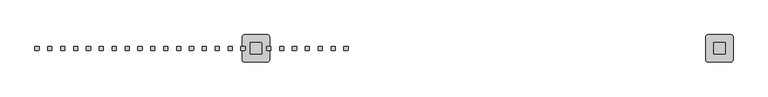
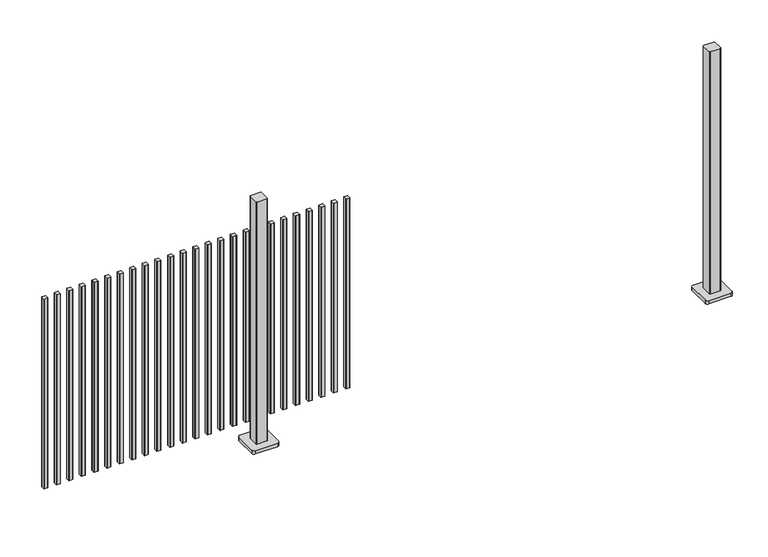
"""IFC4 building model written with IfcOpenShell, lengths in millimetres: railing geometry."""

from ifc_helpers import new_model, si_unit, point, frame, frame_2d, origin, origin_with_axes, place, context, project, spatial, polyline, circle_curve, trimmed, segment, composite_curve, outline, extrude, source, transform, mapped, element, save


def railing_bdd10bd8(model_context):
    return source(origin(), model_context, "Body", "SweptSolid", [
        extrude(outline(composite_curve([segment(trimmed(circle_curve(frame_2d((5095.8317281, 10303.4508236)), 1.4), [point((5094.4317281, 10303.4508236))], [point((5095.8317281, 10304.8508236))], False, "CARTESIAN"), True, "CONTINUOUS"), segment(polyline([(5095.8317281, 10304.8508236), (5111.0317311, 10304.8508236)]), True, "CONTINUOUS"), segment(trimmed(circle_curve(frame_2d((5111.0317311, 10303.4508236)), 1.4), [point((5111.0317311, 10304.8508236))], [point((5112.4317311, 10303.4508236))], False, "CARTESIAN"), True, "CONTINUOUS"), segment(polyline([(5112.4317311, 10303.4508236), (5112.4317311, 10288.2507846)]), True, "CONTINUOUS"), segment(trimmed(circle_curve(frame_2d((5111.0317311, 10288.2507846)), 1.4), [point((5112.4317311, 10288.2507846))], [point((5111.0317311, 10286.8507846))], False, "CARTESIAN"), True, "CONTINUOUS"), segment(polyline([(5111.0317311, 10286.8507846), (5095.8317281, 10286.8507846)]), True, "CONTINUOUS"), segment(trimmed(circle_curve(frame_2d((5095.8317281, 10288.2507846)), 1.4), [point((5095.8317281, 10286.8507846))], [point((5094.4317281, 10288.2507846))], False, "CARTESIAN"), True, "CONTINUOUS"), segment(polyline([(5094.4317281, 10288.2507846), (5094.4317281, 10303.4508236)]), True, "CONTINUOUS")], self_intersect=False)), frame((0.0, 0.0, 125.0), z_axis=(0.0, 0.0, 1.0), x_axis=(1.0, 0.0, 0.0)), (0.0, 0.0, 1.0), 900.0),
        extrude(outline(composite_curve([segment(trimmed(circle_curve(frame_2d((5039.3502466, 10303.4508236)), 1.4), [point((5037.9502466, 10303.4508236))], [point((5039.3502466, 10304.8508236))], False, "CARTESIAN"), True, "CONTINUOUS"), segment(polyline([(5039.3502466, 10304.8508236), (5054.5502496, 10304.8508236)]), True, "CONTINUOUS"), segment(trimmed(circle_curve(frame_2d((5054.5502496, 10303.4508236)), 1.4), [point((5054.5502496, 10304.8508236))], [point((5055.9502496, 10303.4508236))], False, "CARTESIAN"), True, "CONTINUOUS"), segment(polyline([(5055.9502496, 10303.4508236), (5055.9502496, 10288.2507846)]), True, "CONTINUOUS"), segment(trimmed(circle_curve(frame_2d((5054.5502496, 10288.2507846)), 1.4), [point((5055.9502496, 10288.2507846))], [point((5054.5502496, 10286.8507846))], False, "CARTESIAN"), True, "CONTINUOUS"), segment(polyline([(5054.5502496, 10286.8507846), (5039.3502466, 10286.8507846)]), True, "CONTINUOUS"), segment(trimmed(circle_curve(frame_2d((5039.3502466, 10288.2507846)), 1.4), [point((5039.3502466, 10286.8507846))], [point((5037.9502466, 10288.2507846))], False, "CARTESIAN"), True, "CONTINUOUS"), segment(polyline([(5037.9502466, 10288.2507846), (5037.9502466, 10303.4508236)]), True, "CONTINUOUS")], self_intersect=False)), frame((0.0, 0.0, 125.0), z_axis=(0.0, 0.0, 1.0), x_axis=(1.0, 0.0, 0.0)), (0.0, 0.0, 1.0), 900.0),
        extrude(outline(composite_curve([segment(trimmed(circle_curve(frame_2d((4982.8687651, 10303.4508236)), 1.4), [point((4981.4687651, 10303.4508236))], [point((4982.8687651, 10304.8508236))], False, "CARTESIAN"), True, "CONTINUOUS"), segment(polyline([(4982.8687651, 10304.8508236), (4998.0687681, 10304.8508236)]), True, "CONTINUOUS"), segment(trimmed(circle_curve(frame_2d((4998.0687681, 10303.4508236)), 1.4), [point((4998.0687681, 10304.8508236))], [point((4999.4687681, 10303.4508236))], False, "CARTESIAN"), True, "CONTINUOUS"), segment(polyline([(4999.4687681, 10303.4508236), (4999.4687681, 10288.2507846)]), True, "CONTINUOUS"), segment(trimmed(circle_curve(frame_2d((4998.0687681, 10288.2507846)), 1.4), [point((4999.4687681, 10288.2507846))], [point((4998.0687681, 10286.8507846))], False, "CARTESIAN"), True, "CONTINUOUS"), segment(polyline([(4998.0687681, 10286.8507846), (4982.8687651, 10286.8507846)]), True, "CONTINUOUS"), segment(trimmed(circle_curve(frame_2d((4982.8687651, 10288.2507846)), 1.4), [point((4982.8687651, 10286.8507846))], [point((4981.4687651, 10288.2507846))], False, "CARTESIAN"), True, "CONTINUOUS"), segment(polyline([(4981.4687651, 10288.2507846), (4981.4687651, 10303.4508236)]), True, "CONTINUOUS")], self_intersect=False)), frame((0.0, 0.0, 125.0), z_axis=(0.0, 0.0, 1.0), x_axis=(1.0, 0.0, 0.0)), (0.0, 0.0, 1.0), 900.0),
        extrude(outline(composite_curve([segment(trimmed(circle_curve(frame_2d((4926.3872836, 10303.4508236)), 1.4), [point((4924.9872836, 10303.4508236))], [point((4926.3872836, 10304.8508236))], False, "CARTESIAN"), True, "CONTINUOUS"), segment(polyline([(4926.3872836, 10304.8508236), (4941.5872866, 10304.8508236)]), True, "CONTINUOUS"), segment(trimmed(circle_curve(frame_2d((4941.5872866, 10303.4508236)), 1.4), [point((4941.5872866, 10304.8508236))], [point((4942.9872866, 10303.4508236))], False, "CARTESIAN"), True, "CONTINUOUS"), segment(polyline([(4942.9872866, 10303.4508236), (4942.9872866, 10288.2507846)]), True, "CONTINUOUS"), segment(trimmed(circle_curve(frame_2d((4941.5872866, 10288.2507846)), 1.4), [point((4942.9872866, 10288.2507846))], [point((4941.5872866, 10286.8507846))], False, "CARTESIAN"), True, "CONTINUOUS"), segment(polyline([(4941.5872866, 10286.8507846), (4926.3872836, 10286.8507846)]), True, "CONTINUOUS"), segment(trimmed(circle_curve(frame_2d((4926.3872836, 10288.2507846)), 1.4), [point((4926.3872836, 10286.8507846))], [point((4924.9872836, 10288.2507846))], False, "CARTESIAN"), True, "CONTINUOUS"), segment(polyline([(4924.9872836, 10288.2507846), (4924.9872836, 10303.4508236)]), True, "CONTINUOUS")], self_intersect=False)), frame((0.0, 0.0, 125.0), z_axis=(0.0, 0.0, 1.0), x_axis=(1.0, 0.0, 0.0)), (0.0, 0.0, 1.0), 900.0),
        extrude(outline(composite_curve([segment(trimmed(circle_curve(frame_2d((4869.9058021, 10303.4508236)), 1.4), [point((4868.5058021, 10303.4508236))], [point((4869.9058021, 10304.8508236))], False, "CARTESIAN"), True, "CONTINUOUS"), segment(polyline([(4869.9058021, 10304.8508236), (4885.1058051, 10304.8508236)]), True, "CONTINUOUS"), segment(trimmed(circle_curve(frame_2d((4885.1058051, 10303.4508236)), 1.4), [point((4885.1058051, 10304.8508236))], [point((4886.5058051, 10303.4508236))], False, "CARTESIAN"), True, "CONTINUOUS"), segment(polyline([(4886.5058051, 10303.4508236), (4886.5058051, 10288.2507846)]), True, "CONTINUOUS"), segment(trimmed(circle_curve(frame_2d((4885.1058051, 10288.2507846)), 1.4), [point((4886.5058051, 10288.2507846))], [point((4885.1058051, 10286.8507846))], False, "CARTESIAN"), True, "CONTINUOUS"), segment(polyline([(4885.1058051, 10286.8507846), (4869.9058021, 10286.8507846)]), True, "CONTINUOUS"), segment(trimmed(circle_curve(frame_2d((4869.9058021, 10288.2507846)), 1.4), [point((4869.9058021, 10286.8507846))], [point((4868.5058021, 10288.2507846))], False, "CARTESIAN"), True, "CONTINUOUS"), segment(polyline([(4868.5058021, 10288.2507846), (4868.5058021, 10303.4508236)]), True, "CONTINUOUS")], self_intersect=False)), frame((0.0, 0.0, 125.0), z_axis=(0.0, 0.0, 1.0), x_axis=(1.0, 0.0, 0.0)), (0.0, 0.0, 1.0), 900.0),
        extrude(outline(composite_curve([segment(trimmed(circle_curve(frame_2d((4813.4243207, 10303.4508236)), 1.4), [point((4812.0243207, 10303.4508236))], [point((4813.4243207, 10304.8508236))], False, "CARTESIAN"), True, "CONTINUOUS"), segment(polyline([(4813.4243207, 10304.8508236), (4828.6243237, 10304.8508236)]), True, "CONTINUOUS"), segment(trimmed(circle_curve(frame_2d((4828.6243237, 10303.4508236)), 1.4), [point((4828.6243237, 10304.8508236))], [point((4830.0243237, 10303.4508236))], False, "CARTESIAN"), True, "CONTINUOUS"), segment(polyline([(4830.0243237, 10303.4508236), (4830.0243237, 10288.2507846)]), True, "CONTINUOUS"), segment(trimmed(circle_curve(frame_2d((4828.6243237, 10288.2507846)), 1.4), [point((4830.0243237, 10288.2507846))], [point((4828.6243237, 10286.8507846))], False, "CARTESIAN"), True, "CONTINUOUS"), segment(polyline([(4828.6243237, 10286.8507846), (4813.4243207, 10286.8507846)]), True, "CONTINUOUS"), segment(trimmed(circle_curve(frame_2d((4813.4243207, 10288.2507846)), 1.4), [point((4813.4243207, 10286.8507846))], [point((4812.0243207, 10288.2507846))], False, "CARTESIAN"), True, "CONTINUOUS"), segment(polyline([(4812.0243207, 10288.2507846), (4812.0243207, 10303.4508236)]), True, "CONTINUOUS")], self_intersect=False)), frame((0.0, 0.0, 125.0), z_axis=(0.0, 0.0, 1.0), x_axis=(1.0, 0.0, 0.0)), (0.0, 0.0, 1.0), 900.0),
        extrude(outline(composite_curve([segment(trimmed(circle_curve(frame_2d((4756.9428392, 10303.4508236)), 1.4), [point((4755.5428392, 10303.4508236))], [point((4756.9428392, 10304.8508236))], False, "CARTESIAN"), True, "CONTINUOUS"), segment(polyline([(4756.9428392, 10304.8508236), (4772.1428422, 10304.8508236)]), True, "CONTINUOUS"), segment(trimmed(circle_curve(frame_2d((4772.1428422, 10303.4508236)), 1.4), [point((4772.1428422, 10304.8508236))], [point((4773.5428422, 10303.4508236))], False, "CARTESIAN"), True, "CONTINUOUS"), segment(polyline([(4773.5428422, 10303.4508236), (4773.5428422, 10288.2507846)]), True, "CONTINUOUS"), segment(trimmed(circle_curve(frame_2d((4772.1428422, 10288.2507846)), 1.4), [point((4773.5428422, 10288.2507846))], [point((4772.1428422, 10286.8507846))], False, "CARTESIAN"), True, "CONTINUOUS"), segment(polyline([(4772.1428422, 10286.8507846), (4756.9428392, 10286.8507846)]), True, "CONTINUOUS"), segment(trimmed(circle_curve(frame_2d((4756.9428392, 10288.2507846)), 1.4), [point((4756.9428392, 10286.8507846))], [point((4755.5428392, 10288.2507846))], False, "CARTESIAN"), True, "CONTINUOUS"), segment(polyline([(4755.5428392, 10288.2507846), (4755.5428392, 10303.4508236)]), True, "CONTINUOUS")], self_intersect=False)), frame((0.0, 0.0, 125.0), z_axis=(0.0, 0.0, 1.0), x_axis=(1.0, 0.0, 0.0)), (0.0, 0.0, 1.0), 900.0),
        extrude(outline(composite_curve([segment(trimmed(circle_curve(frame_2d((4685.6613477, 10318.2508266)), 3.0), [point((4682.6613477, 10318.2508266))], [point((4685.6613477, 10321.2508266))], False, "CARTESIAN"), True, "CONTINUOUS"), segment(polyline([(4685.6613477, 10321.2508266), (4730.4613707, 10321.2508266)]), True, "CONTINUOUS"), segment(trimmed(circle_curve(frame_2d((4730.4613707, 10318.2508266)), 3.0), [point((4730.4613707, 10321.2508266))], [point((4733.4613707, 10318.2508266))], False, "CARTESIAN"), True, "CONTINUOUS"), segment(polyline([(4733.4613707, 10318.2508266), (4733.4613707, 10273.4508036)]), True, "CONTINUOUS"), segment(trimmed(circle_curve(frame_2d((4730.4613707, 10273.4508036)), 3.0), [point((4733.4613707, 10273.4508036))], [point((4730.4613707, 10270.4508036))], False, "CARTESIAN"), True, "CONTINUOUS"), segment(polyline([(4730.4613707, 10270.4508036), (4685.6613477, 10270.4508036)]), True, "CONTINUOUS"), segment(trimmed(circle_curve(frame_2d((4685.6613477, 10273.4508036)), 3.0), [point((4685.6613477, 10270.4508036))], [point((4682.6613477, 10273.4508036))], False, "CARTESIAN"), True, "CONTINUOUS"), segment(polyline([(4682.6613477, 10273.4508036), (4682.6613477, 10318.2508266)]), True, "CONTINUOUS")], self_intersect=False)), frame((0.0, 0.0, 16.0), z_axis=(0.0, 0.0, 1.0), x_axis=(1.0, 0.0, 0.0)), (0.0, 0.0, 1.0), 1148.2785397),
        extrude(outline(composite_curve([segment(trimmed(circle_curve(frame_2d((4658.0613477, 10345.8508151)), 10.0), [point((4648.0613477, 10345.8508151))], [point((4658.0613477, 10355.8508151))], False, "CARTESIAN"), True, "CONTINUOUS"), segment(polyline([(4658.0613477, 10355.8508151), (4758.0613477, 10355.8508151)]), True, "CONTINUOUS"), segment(trimmed(circle_curve(frame_2d((4758.0613477, 10345.8508151)), 10.0), [point((4758.0613477, 10355.8508151))], [point((4768.0613477, 10345.8508151))], False, "CARTESIAN"), True, "CONTINUOUS"), segment(polyline([(4768.0613477, 10345.8508151), (4768.0613477, 10245.8508151)]), True, "CONTINUOUS"), segment(trimmed(circle_curve(frame_2d((4758.0613477, 10245.8508151)), 10.0), [point((4768.0613477, 10245.8508151))], [point((4758.0613477, 10235.8508151))], False, "CARTESIAN"), True, "CONTINUOUS"), segment(polyline([(4758.0613477, 10235.8508151), (4658.0613477, 10235.8508151)]), True, "CONTINUOUS"), segment(trimmed(circle_curve(frame_2d((4658.0613477, 10245.8508151)), 10.0), [point((4658.0613477, 10235.8508151))], [point((4648.0613477, 10245.8508151))], False, "CARTESIAN"), True, "CONTINUOUS"), segment(polyline([(4648.0613477, 10245.8508151), (4648.0613477, 10345.8508151)]), True, "CONTINUOUS")], self_intersect=False)), origin_with_axes(), (0.0, 0.0, 1.0), 16.0),
        extrude(outline(composite_curve([segment(trimmed(circle_curve(frame_2d((4643.9798762, 10303.4508236)), 1.4), [point((4642.5798762, 10303.4508236))], [point((4643.9798762, 10304.8508236))], False, "CARTESIAN"), True, "CONTINUOUS"), segment(polyline([(4643.9798762, 10304.8508236), (4659.1798792, 10304.8508236)]), True, "CONTINUOUS"), segment(trimmed(circle_curve(frame_2d((4659.1798792, 10303.4508236)), 1.4), [point((4659.1798792, 10304.8508236))], [point((4660.5798792, 10303.4508236))], False, "CARTESIAN"), True, "CONTINUOUS"), segment(polyline([(4660.5798792, 10303.4508236), (4660.5798792, 10288.2507846)]), True, "CONTINUOUS"), segment(trimmed(circle_curve(frame_2d((4659.1798792, 10288.2507846)), 1.4), [point((4660.5798792, 10288.2507846))], [point((4659.1798792, 10286.8507846))], False, "CARTESIAN"), True, "CONTINUOUS"), segment(polyline([(4659.1798792, 10286.8507846), (4643.9798762, 10286.8507846)]), True, "CONTINUOUS"), segment(trimmed(circle_curve(frame_2d((4643.9798762, 10288.2507846)), 1.4), [point((4643.9798762, 10286.8507846))], [point((4642.5798762, 10288.2507846))], False, "CARTESIAN"), True, "CONTINUOUS"), segment(polyline([(4642.5798762, 10288.2507846), (4642.5798762, 10303.4508236)]), True, "CONTINUOUS")], self_intersect=False)), frame((0.0, 0.0, 125.0), z_axis=(0.0, 0.0, 1.0), x_axis=(1.0, 0.0, 0.0)), (0.0, 0.0, 1.0), 900.0),
        extrude(outline(composite_curve([segment(trimmed(circle_curve(frame_2d((4587.4983947, 10303.4508236)), 1.4), [point((4586.0983947, 10303.4508236))], [point((4587.4983947, 10304.8508236))], False, "CARTESIAN"), True, "CONTINUOUS"), segment(polyline([(4587.4983947, 10304.8508236), (4602.6983977, 10304.8508236)]), True, "CONTINUOUS"), segment(trimmed(circle_curve(frame_2d((4602.6983977, 10303.4508236)), 1.4), [point((4602.6983977, 10304.8508236))], [point((4604.0983977, 10303.4508236))], False, "CARTESIAN"), True, "CONTINUOUS"), segment(polyline([(4604.0983977, 10303.4508236), (4604.0983977, 10288.2507846)]), True, "CONTINUOUS"), segment(trimmed(circle_curve(frame_2d((4602.6983977, 10288.2507846)), 1.4), [point((4604.0983977, 10288.2507846))], [point((4602.6983977, 10286.8507846))], False, "CARTESIAN"), True, "CONTINUOUS"), segment(polyline([(4602.6983977, 10286.8507846), (4587.4983947, 10286.8507846)]), True, "CONTINUOUS"), segment(trimmed(circle_curve(frame_2d((4587.4983947, 10288.2507846)), 1.4), [point((4587.4983947, 10286.8507846))], [point((4586.0983947, 10288.2507846))], False, "CARTESIAN"), True, "CONTINUOUS"), segment(polyline([(4586.0983947, 10288.2507846), (4586.0983947, 10303.4508236)]), True, "CONTINUOUS")], self_intersect=False)), frame((0.0, 0.0, 125.0), z_axis=(0.0, 0.0, 1.0), x_axis=(1.0, 0.0, 0.0)), (0.0, 0.0, 1.0), 900.0),
        extrude(outline(composite_curve([segment(trimmed(circle_curve(frame_2d((4531.0169133, 10303.4508236)), 1.4), [point((4529.6169133, 10303.4508236))], [point((4531.0169133, 10304.8508236))], False, "CARTESIAN"), True, "CONTINUOUS"), segment(polyline([(4531.0169133, 10304.8508236), (4546.2169163, 10304.8508236)]), True, "CONTINUOUS"), segment(trimmed(circle_curve(frame_2d((4546.2169163, 10303.4508236)), 1.4), [point((4546.2169163, 10304.8508236))], [point((4547.6169163, 10303.4508236))], False, "CARTESIAN"), True, "CONTINUOUS"), segment(polyline([(4547.6169163, 10303.4508236), (4547.6169163, 10288.2507846)]), True, "CONTINUOUS"), segment(trimmed(circle_curve(frame_2d((4546.2169163, 10288.2507846)), 1.4), [point((4547.6169163, 10288.2507846))], [point((4546.2169163, 10286.8507846))], False, "CARTESIAN"), True, "CONTINUOUS"), segment(polyline([(4546.2169163, 10286.8507846), (4531.0169133, 10286.8507846)]), True, "CONTINUOUS"), segment(trimmed(circle_curve(frame_2d((4531.0169133, 10288.2507846)), 1.4), [point((4531.0169133, 10286.8507846))], [point((4529.6169133, 10288.2507846))], False, "CARTESIAN"), True, "CONTINUOUS"), segment(polyline([(4529.6169133, 10288.2507846), (4529.6169133, 10303.4508236)]), True, "CONTINUOUS")], self_intersect=False)), frame((0.0, 0.0, 125.0), z_axis=(0.0, 0.0, 1.0), x_axis=(1.0, 0.0, 0.0)), (0.0, 0.0, 1.0), 900.0),
        extrude(outline(composite_curve([segment(trimmed(circle_curve(frame_2d((4474.5354318, 10303.4508236)), 1.4), [point((4473.1354318, 10303.4508236))], [point((4474.5354318, 10304.8508236))], False, "CARTESIAN"), True, "CONTINUOUS"), segment(polyline([(4474.5354318, 10304.8508236), (4489.7354348, 10304.8508236)]), True, "CONTINUOUS"), segment(trimmed(circle_curve(frame_2d((4489.7354348, 10303.4508236)), 1.4), [point((4489.7354348, 10304.8508236))], [point((4491.1354348, 10303.4508236))], False, "CARTESIAN"), True, "CONTINUOUS"), segment(polyline([(4491.1354348, 10303.4508236), (4491.1354348, 10288.2507846)]), True, "CONTINUOUS"), segment(trimmed(circle_curve(frame_2d((4489.7354348, 10288.2507846)), 1.4), [point((4491.1354348, 10288.2507846))], [point((4489.7354348, 10286.8507846))], False, "CARTESIAN"), True, "CONTINUOUS"), segment(polyline([(4489.7354348, 10286.8507846), (4474.5354318, 10286.8507846)]), True, "CONTINUOUS"), segment(trimmed(circle_curve(frame_2d((4474.5354318, 10288.2507846)), 1.4), [point((4474.5354318, 10286.8507846))], [point((4473.1354318, 10288.2507846))], False, "CARTESIAN"), True, "CONTINUOUS"), segment(polyline([(4473.1354318, 10288.2507846), (4473.1354318, 10303.4508236)]), True, "CONTINUOUS")], self_intersect=False)), frame((0.0, 0.0, 125.0), z_axis=(0.0, 0.0, 1.0), x_axis=(1.0, 0.0, 0.0)), (0.0, 0.0, 1.0), 900.0),
        extrude(outline(composite_curve([segment(trimmed(circle_curve(frame_2d((4418.0539503, 10303.4508236)), 1.4), [point((4416.6539503, 10303.4508236))], [point((4418.0539503, 10304.8508236))], False, "CARTESIAN"), True, "CONTINUOUS"), segment(polyline([(4418.0539503, 10304.8508236), (4433.2539533, 10304.8508236)]), True, "CONTINUOUS"), segment(trimmed(circle_curve(frame_2d((4433.2539533, 10303.4508236)), 1.4), [point((4433.2539533, 10304.8508236))], [point((4434.6539533, 10303.4508236))], False, "CARTESIAN"), True, "CONTINUOUS"), segment(polyline([(4434.6539533, 10303.4508236), (4434.6539533, 10288.2507846)]), True, "CONTINUOUS"), segment(trimmed(circle_curve(frame_2d((4433.2539533, 10288.2507846)), 1.4), [point((4434.6539533, 10288.2507846))], [point((4433.2539533, 10286.8507846))], False, "CARTESIAN"), True, "CONTINUOUS"), segment(polyline([(4433.2539533, 10286.8507846), (4418.0539503, 10286.8507846)]), True, "CONTINUOUS"), segment(trimmed(circle_curve(frame_2d((4418.0539503, 10288.2507846)), 1.4), [point((4418.0539503, 10286.8507846))], [point((4416.6539503, 10288.2507846))], False, "CARTESIAN"), True, "CONTINUOUS"), segment(polyline([(4416.6539503, 10288.2507846), (4416.6539503, 10303.4508236)]), True, "CONTINUOUS")], self_intersect=False)), frame((0.0, 0.0, 125.0), z_axis=(0.0, 0.0, 1.0), x_axis=(1.0, 0.0, 0.0)), (0.0, 0.0, 1.0), 900.0),
        extrude(outline(composite_curve([segment(trimmed(circle_curve(frame_2d((4361.5724688, 10303.4508236)), 1.4), [point((4360.1724688, 10303.4508236))], [point((4361.5724688, 10304.8508236))], False, "CARTESIAN"), True, "CONTINUOUS"), segment(polyline([(4361.5724688, 10304.8508236), (4376.7724718, 10304.8508236)]), True, "CONTINUOUS"), segment(trimmed(circle_curve(frame_2d((4376.7724718, 10303.4508236)), 1.4), [point((4376.7724718, 10304.8508236))], [point((4378.1724718, 10303.4508236))], False, "CARTESIAN"), True, "CONTINUOUS"), segment(polyline([(4378.1724718, 10303.4508236), (4378.1724718, 10288.2507846)]), True, "CONTINUOUS"), segment(trimmed(circle_curve(frame_2d((4376.7724718, 10288.2507846)), 1.4), [point((4378.1724718, 10288.2507846))], [point((4376.7724718, 10286.8507846))], False, "CARTESIAN"), True, "CONTINUOUS"), segment(polyline([(4376.7724718, 10286.8507846), (4361.5724688, 10286.8507846)]), True, "CONTINUOUS"), segment(trimmed(circle_curve(frame_2d((4361.5724688, 10288.2507846)), 1.4), [point((4361.5724688, 10286.8507846))], [point((4360.1724688, 10288.2507846))], False, "CARTESIAN"), True, "CONTINUOUS"), segment(polyline([(4360.1724688, 10288.2507846), (4360.1724688, 10303.4508236)]), True, "CONTINUOUS")], self_intersect=False)), frame((0.0, 0.0, 125.0), z_axis=(0.0, 0.0, 1.0), x_axis=(1.0, 0.0, 0.0)), (0.0, 0.0, 1.0), 900.0),
        extrude(outline(composite_curve([segment(trimmed(circle_curve(frame_2d((4305.0909873, 10303.4508236)), 1.4), [point((4303.6909873, 10303.4508236))], [point((4305.0909873, 10304.8508236))], False, "CARTESIAN"), True, "CONTINUOUS"), segment(polyline([(4305.0909873, 10304.8508236), (4320.2909903, 10304.8508236)]), True, "CONTINUOUS"), segment(trimmed(circle_curve(frame_2d((4320.2909903, 10303.4508236)), 1.4), [point((4320.2909903, 10304.8508236))], [point((4321.6909903, 10303.4508236))], False, "CARTESIAN"), True, "CONTINUOUS"), segment(polyline([(4321.6909903, 10303.4508236), (4321.6909903, 10288.2507846)]), True, "CONTINUOUS"), segment(trimmed(circle_curve(frame_2d((4320.2909903, 10288.2507846)), 1.4), [point((4321.6909903, 10288.2507846))], [point((4320.2909903, 10286.8507846))], False, "CARTESIAN"), True, "CONTINUOUS"), segment(polyline([(4320.2909903, 10286.8507846), (4305.0909873, 10286.8507846)]), True, "CONTINUOUS"), segment(trimmed(circle_curve(frame_2d((4305.0909873, 10288.2507846)), 1.4), [point((4305.0909873, 10286.8507846))], [point((4303.6909873, 10288.2507846))], False, "CARTESIAN"), True, "CONTINUOUS"), segment(polyline([(4303.6909873, 10288.2507846), (4303.6909873, 10303.4508236)]), True, "CONTINUOUS")], self_intersect=False)), frame((0.0, 0.0, 125.0), z_axis=(0.0, 0.0, 1.0), x_axis=(1.0, 0.0, 0.0)), (0.0, 0.0, 1.0), 900.0),
        extrude(outline(composite_curve([segment(trimmed(circle_curve(frame_2d((4248.6095058, 10303.4508236)), 1.4), [point((4247.2095058, 10303.4508236))], [point((4248.6095058, 10304.8508236))], False, "CARTESIAN"), True, "CONTINUOUS"), segment(polyline([(4248.6095058, 10304.8508236), (4263.8095088, 10304.8508236)]), True, "CONTINUOUS"), segment(trimmed(circle_curve(frame_2d((4263.8095088, 10303.4508236)), 1.4), [point((4263.8095088, 10304.8508236))], [point((4265.2095088, 10303.4508236))], False, "CARTESIAN"), True, "CONTINUOUS"), segment(polyline([(4265.2095088, 10303.4508236), (4265.2095088, 10288.2507846)]), True, "CONTINUOUS"), segment(trimmed(circle_curve(frame_2d((4263.8095088, 10288.2507846)), 1.4), [point((4265.2095088, 10288.2507846))], [point((4263.8095088, 10286.8507846))], False, "CARTESIAN"), True, "CONTINUOUS"), segment(polyline([(4263.8095088, 10286.8507846), (4248.6095058, 10286.8507846)]), True, "CONTINUOUS"), segment(trimmed(circle_curve(frame_2d((4248.6095058, 10288.2507846)), 1.4), [point((4248.6095058, 10286.8507846))], [point((4247.2095058, 10288.2507846))], False, "CARTESIAN"), True, "CONTINUOUS"), segment(polyline([(4247.2095058, 10288.2507846), (4247.2095058, 10303.4508236)]), True, "CONTINUOUS")], self_intersect=False)), frame((0.0, 0.0, 125.0), z_axis=(0.0, 0.0, 1.0), x_axis=(1.0, 0.0, 0.0)), (0.0, 0.0, 1.0), 900.0),
        extrude(outline(composite_curve([segment(trimmed(circle_curve(frame_2d((4192.1280244, 10303.4508236)), 1.4), [point((4190.7280244, 10303.4508236))], [point((4192.1280244, 10304.8508236))], False, "CARTESIAN"), True, "CONTINUOUS"), segment(polyline([(4192.1280244, 10304.8508236), (4207.3280274, 10304.8508236)]), True, "CONTINUOUS"), segment(trimmed(circle_curve(frame_2d((4207.3280274, 10303.4508236)), 1.4), [point((4207.3280274, 10304.8508236))], [point((4208.7280274, 10303.4508236))], False, "CARTESIAN"), True, "CONTINUOUS"), segment(polyline([(4208.7280274, 10303.4508236), (4208.7280274, 10288.2507846)]), True, "CONTINUOUS"), segment(trimmed(circle_curve(frame_2d((4207.3280274, 10288.2507846)), 1.4), [point((4208.7280274, 10288.2507846))], [point((4207.3280274, 10286.8507846))], False, "CARTESIAN"), True, "CONTINUOUS"), segment(polyline([(4207.3280274, 10286.8507846), (4192.1280244, 10286.8507846)]), True, "CONTINUOUS"), segment(trimmed(circle_curve(frame_2d((4192.1280244, 10288.2507846)), 1.4), [point((4192.1280244, 10286.8507846))], [point((4190.7280244, 10288.2507846))], False, "CARTESIAN"), True, "CONTINUOUS"), segment(polyline([(4190.7280244, 10288.2507846), (4190.7280244, 10303.4508236)]), True, "CONTINUOUS")], self_intersect=False)), frame((0.0, 0.0, 125.0), z_axis=(0.0, 0.0, 1.0), x_axis=(1.0, 0.0, 0.0)), (0.0, 0.0, 1.0), 900.0),
        extrude(outline(composite_curve([segment(trimmed(circle_curve(frame_2d((4135.6465429, 10303.4508236)), 1.4), [point((4134.2465429, 10303.4508236))], [point((4135.6465429, 10304.8508236))], False, "CARTESIAN"), True, "CONTINUOUS"), segment(polyline([(4135.6465429, 10304.8508236), (4150.8465459, 10304.8508236)]), True, "CONTINUOUS"), segment(trimmed(circle_curve(frame_2d((4150.8465459, 10303.4508236)), 1.4), [point((4150.8465459, 10304.8508236))], [point((4152.2465459, 10303.4508236))], False, "CARTESIAN"), True, "CONTINUOUS"), segment(polyline([(4152.2465459, 10303.4508236), (4152.2465459, 10288.2507846)]), True, "CONTINUOUS"), segment(trimmed(circle_curve(frame_2d((4150.8465459, 10288.2507846)), 1.4), [point((4152.2465459, 10288.2507846))], [point((4150.8465459, 10286.8507846))], False, "CARTESIAN"), True, "CONTINUOUS"), segment(polyline([(4150.8465459, 10286.8507846), (4135.6465429, 10286.8507846)]), True, "CONTINUOUS"), segment(trimmed(circle_curve(frame_2d((4135.6465429, 10288.2507846)), 1.4), [point((4135.6465429, 10286.8507846))], [point((4134.2465429, 10288.2507846))], False, "CARTESIAN"), True, "CONTINUOUS"), segment(polyline([(4134.2465429, 10288.2507846), (4134.2465429, 10303.4508236)]), True, "CONTINUOUS")], self_intersect=False)), frame((0.0, 0.0, 125.0), z_axis=(0.0, 0.0, 1.0), x_axis=(1.0, 0.0, 0.0)), (0.0, 0.0, 1.0), 900.0),
        extrude(outline(composite_curve([segment(trimmed(circle_curve(frame_2d((4079.1650614, 10303.4508236)), 1.4), [point((4077.7650614, 10303.4508236))], [point((4079.1650614, 10304.8508236))], False, "CARTESIAN"), True, "CONTINUOUS"), segment(polyline([(4079.1650614, 10304.8508236), (4094.3650644, 10304.8508236)]), True, "CONTINUOUS"), segment(trimmed(circle_curve(frame_2d((4094.3650644, 10303.4508236)), 1.4), [point((4094.3650644, 10304.8508236))], [point((4095.7650644, 10303.4508236))], False, "CARTESIAN"), True, "CONTINUOUS"), segment(polyline([(4095.7650644, 10303.4508236), (4095.7650644, 10288.2507846)]), True, "CONTINUOUS"), segment(trimmed(circle_curve(frame_2d((4094.3650644, 10288.2507846)), 1.4), [point((4095.7650644, 10288.2507846))], [point((4094.3650644, 10286.8507846))], False, "CARTESIAN"), True, "CONTINUOUS"), segment(polyline([(4094.3650644, 10286.8507846), (4079.1650614, 10286.8507846)]), True, "CONTINUOUS"), segment(trimmed(circle_curve(frame_2d((4079.1650614, 10288.2507846)), 1.4), [point((4079.1650614, 10286.8507846))], [point((4077.7650614, 10288.2507846))], False, "CARTESIAN"), True, "CONTINUOUS"), segment(polyline([(4077.7650614, 10288.2507846), (4077.7650614, 10303.4508236)]), True, "CONTINUOUS")], self_intersect=False)), frame((0.0, 0.0, 125.0), z_axis=(0.0, 0.0, 1.0), x_axis=(1.0, 0.0, 0.0)), (0.0, 0.0, 1.0), 900.0),
        extrude(outline(composite_curve([segment(trimmed(circle_curve(frame_2d((4022.6835799, 10303.4508236)), 1.4), [point((4021.2835799, 10303.4508236))], [point((4022.6835799, 10304.8508236))], False, "CARTESIAN"), True, "CONTINUOUS"), segment(polyline([(4022.6835799, 10304.8508236), (4037.8835829, 10304.8508236)]), True, "CONTINUOUS"), segment(trimmed(circle_curve(frame_2d((4037.8835829, 10303.4508236)), 1.4), [point((4037.8835829, 10304.8508236))], [point((4039.2835829, 10303.4508236))], False, "CARTESIAN"), True, "CONTINUOUS"), segment(polyline([(4039.2835829, 10303.4508236), (4039.2835829, 10288.2507846)]), True, "CONTINUOUS"), segment(trimmed(circle_curve(frame_2d((4037.8835829, 10288.2507846)), 1.4), [point((4039.2835829, 10288.2507846))], [point((4037.8835829, 10286.8507846))], False, "CARTESIAN"), True, "CONTINUOUS"), segment(polyline([(4037.8835829, 10286.8507846), (4022.6835799, 10286.8507846)]), True, "CONTINUOUS"), segment(trimmed(circle_curve(frame_2d((4022.6835799, 10288.2507846)), 1.4), [point((4022.6835799, 10286.8507846))], [point((4021.2835799, 10288.2507846))], False, "CARTESIAN"), True, "CONTINUOUS"), segment(polyline([(4021.2835799, 10288.2507846), (4021.2835799, 10303.4508236)]), True, "CONTINUOUS")], self_intersect=False)), frame((0.0, 0.0, 125.0), z_axis=(0.0, 0.0, 1.0), x_axis=(1.0, 0.0, 0.0)), (0.0, 0.0, 1.0), 900.0),
        extrude(outline(composite_curve([segment(trimmed(circle_curve(frame_2d((3966.2020984, 10303.4508236)), 1.4), [point((3964.8020984, 10303.4508236))], [point((3966.2020984, 10304.8508236))], False, "CARTESIAN"), True, "CONTINUOUS"), segment(polyline([(3966.2020984, 10304.8508236), (3981.4021014, 10304.8508236)]), True, "CONTINUOUS"), segment(trimmed(circle_curve(frame_2d((3981.4021014, 10303.4508236)), 1.4), [point((3981.4021014, 10304.8508236))], [point((3982.8021014, 10303.4508236))], False, "CARTESIAN"), True, "CONTINUOUS"), segment(polyline([(3982.8021014, 10303.4508236), (3982.8021014, 10288.2507846)]), True, "CONTINUOUS"), segment(trimmed(circle_curve(frame_2d((3981.4021014, 10288.2507846)), 1.4), [point((3982.8021014, 10288.2507846))], [point((3981.4021014, 10286.8507846))], False, "CARTESIAN"), True, "CONTINUOUS"), segment(polyline([(3981.4021014, 10286.8507846), (3966.2020984, 10286.8507846)]), True, "CONTINUOUS"), segment(trimmed(circle_curve(frame_2d((3966.2020984, 10288.2507846)), 1.4), [point((3966.2020984, 10286.8507846))], [point((3964.8020984, 10288.2507846))], False, "CARTESIAN"), True, "CONTINUOUS"), segment(polyline([(3964.8020984, 10288.2507846), (3964.8020984, 10303.4508236)]), True, "CONTINUOUS")], self_intersect=False)), frame((0.0, 0.0, 125.0), z_axis=(0.0, 0.0, 1.0), x_axis=(1.0, 0.0, 0.0)), (0.0, 0.0, 1.0), 900.0),
        extrude(outline(composite_curve([segment(trimmed(circle_curve(frame_2d((3909.720617, 10303.4508236)), 1.4), [point((3908.320617, 10303.4508236))], [point((3909.720617, 10304.8508236))], False, "CARTESIAN"), True, "CONTINUOUS"), segment(polyline([(3909.720617, 10304.8508236), (3924.92062, 10304.8508236)]), True, "CONTINUOUS"), segment(trimmed(circle_curve(frame_2d((3924.92062, 10303.4508236)), 1.4), [point((3924.92062, 10304.8508236))], [point((3926.32062, 10303.4508236))], False, "CARTESIAN"), True, "CONTINUOUS"), segment(polyline([(3926.32062, 10303.4508236), (3926.32062, 10288.2507846)]), True, "CONTINUOUS"), segment(trimmed(circle_curve(frame_2d((3924.92062, 10288.2507846)), 1.4), [point((3926.32062, 10288.2507846))], [point((3924.92062, 10286.8507846))], False, "CARTESIAN"), True, "CONTINUOUS"), segment(polyline([(3924.92062, 10286.8507846), (3909.720617, 10286.8507846)]), True, "CONTINUOUS"), segment(trimmed(circle_curve(frame_2d((3909.720617, 10288.2507846)), 1.4), [point((3909.720617, 10286.8507846))], [point((3908.320617, 10288.2507846))], False, "CARTESIAN"), True, "CONTINUOUS"), segment(polyline([(3908.320617, 10288.2507846), (3908.320617, 10303.4508236)]), True, "CONTINUOUS")], self_intersect=False)), frame((0.0, 0.0, 125.0), z_axis=(0.0, 0.0, 1.0), x_axis=(1.0, 0.0, 0.0)), (0.0, 0.0, 1.0), 900.0),
        extrude(outline(composite_curve([segment(trimmed(circle_curve(frame_2d((3853.2391355, 10303.4508236)), 1.4), [point((3851.8391355, 10303.4508236))], [point((3853.2391355, 10304.8508236))], False, "CARTESIAN"), True, "CONTINUOUS"), segment(polyline([(3853.2391355, 10304.8508236), (3868.4391385, 10304.8508236)]), True, "CONTINUOUS"), segment(trimmed(circle_curve(frame_2d((3868.4391385, 10303.4508236)), 1.4), [point((3868.4391385, 10304.8508236))], [point((3869.8391385, 10303.4508236))], False, "CARTESIAN"), True, "CONTINUOUS"), segment(polyline([(3869.8391385, 10303.4508236), (3869.8391385, 10288.2507846)]), True, "CONTINUOUS"), segment(trimmed(circle_curve(frame_2d((3868.4391385, 10288.2507846)), 1.4), [point((3869.8391385, 10288.2507846))], [point((3868.4391385, 10286.8507846))], False, "CARTESIAN"), True, "CONTINUOUS"), segment(polyline([(3868.4391385, 10286.8507846), (3853.2391355, 10286.8507846)]), True, "CONTINUOUS"), segment(trimmed(circle_curve(frame_2d((3853.2391355, 10288.2507846)), 1.4), [point((3853.2391355, 10286.8507846))], [point((3851.8391355, 10288.2507846))], False, "CARTESIAN"), True, "CONTINUOUS"), segment(polyline([(3851.8391355, 10288.2507846), (3851.8391355, 10303.4508236)]), True, "CONTINUOUS")], self_intersect=False)), frame((0.0, 0.0, 125.0), z_axis=(0.0, 0.0, 1.0), x_axis=(1.0, 0.0, 0.0)), (0.0, 0.0, 1.0), 900.0),
        extrude(outline(composite_curve([segment(trimmed(circle_curve(frame_2d((3796.757654, 10303.4508236)), 1.4), [point((3795.357654, 10303.4508236))], [point((3796.757654, 10304.8508236))], False, "CARTESIAN"), True, "CONTINUOUS"), segment(polyline([(3796.757654, 10304.8508236), (3811.957657, 10304.8508236)]), True, "CONTINUOUS"), segment(trimmed(circle_curve(frame_2d((3811.957657, 10303.4508236)), 1.4), [point((3811.957657, 10304.8508236))], [point((3813.357657, 10303.4508236))], False, "CARTESIAN"), True, "CONTINUOUS"), segment(polyline([(3813.357657, 10303.4508236), (3813.357657, 10288.2507846)]), True, "CONTINUOUS"), segment(trimmed(circle_curve(frame_2d((3811.957657, 10288.2507846)), 1.4), [point((3813.357657, 10288.2507846))], [point((3811.957657, 10286.8507846))], False, "CARTESIAN"), True, "CONTINUOUS"), segment(polyline([(3811.957657, 10286.8507846), (3796.757654, 10286.8507846)]), True, "CONTINUOUS"), segment(trimmed(circle_curve(frame_2d((3796.757654, 10288.2507846)), 1.4), [point((3796.757654, 10286.8507846))], [point((3795.357654, 10288.2507846))], False, "CARTESIAN"), True, "CONTINUOUS"), segment(polyline([(3795.357654, 10288.2507846), (3795.357654, 10303.4508236)]), True, "CONTINUOUS")], self_intersect=False)), frame((0.0, 0.0, 125.0), z_axis=(0.0, 0.0, 1.0), x_axis=(1.0, 0.0, 0.0)), (0.0, 0.0, 1.0), 900.0),
        extrude(outline(composite_curve([segment(trimmed(circle_curve(frame_2d((3740.2761725, 10303.4508236)), 1.4), [point((3738.8761725, 10303.4508236))], [point((3740.2761725, 10304.8508236))], False, "CARTESIAN"), True, "CONTINUOUS"), segment(polyline([(3740.2761725, 10304.8508236), (3755.4761755, 10304.8508236)]), True, "CONTINUOUS"), segment(trimmed(circle_curve(frame_2d((3755.4761755, 10303.4508236)), 1.4), [point((3755.4761755, 10304.8508236))], [point((3756.8761755, 10303.4508236))], False, "CARTESIAN"), True, "CONTINUOUS"), segment(polyline([(3756.8761755, 10303.4508236), (3756.8761755, 10288.2507846)]), True, "CONTINUOUS"), segment(trimmed(circle_curve(frame_2d((3755.4761755, 10288.2507846)), 1.4), [point((3756.8761755, 10288.2507846))], [point((3755.4761755, 10286.8507846))], False, "CARTESIAN"), True, "CONTINUOUS"), segment(polyline([(3755.4761755, 10286.8507846), (3740.2761725, 10286.8507846)]), True, "CONTINUOUS"), segment(trimmed(circle_curve(frame_2d((3740.2761725, 10288.2507846)), 1.4), [point((3740.2761725, 10286.8507846))], [point((3738.8761725, 10288.2507846))], False, "CARTESIAN"), True, "CONTINUOUS"), segment(polyline([(3738.8761725, 10288.2507846), (3738.8761725, 10303.4508236)]), True, "CONTINUOUS")], self_intersect=False)), frame((0.0, 0.0, 125.0), z_axis=(0.0, 0.0, 1.0), x_axis=(1.0, 0.0, 0.0)), (0.0, 0.0, 1.0), 900.0),
        extrude(outline(composite_curve([segment(trimmed(circle_curve(frame_2d((6718.994681, 10318.2508266)), 3.0), [point((6715.994681, 10318.2508266))], [point((6718.994681, 10321.2508266))], False, "CARTESIAN"), True, "CONTINUOUS"), segment(polyline([(6718.994681, 10321.2508266), (6763.794704, 10321.2508266)]), True, "CONTINUOUS"), segment(trimmed(circle_curve(frame_2d((6763.794704, 10318.2508266)), 3.0), [point((6763.794704, 10321.2508266))], [point((6766.794704, 10318.2508266))], False, "CARTESIAN"), True, "CONTINUOUS"), segment(polyline([(6766.794704, 10318.2508266), (6766.794704, 10273.4508036)]), True, "CONTINUOUS"), segment(trimmed(circle_curve(frame_2d((6763.794704, 10273.4508036)), 3.0), [point((6766.794704, 10273.4508036))], [point((6763.794704, 10270.4508036))], False, "CARTESIAN"), True, "CONTINUOUS"), segment(polyline([(6763.794704, 10270.4508036), (6718.994681, 10270.4508036)]), True, "CONTINUOUS"), segment(trimmed(circle_curve(frame_2d((6718.994681, 10273.4508036)), 3.0), [point((6718.994681, 10270.4508036))], [point((6715.994681, 10273.4508036))], False, "CARTESIAN"), True, "CONTINUOUS"), segment(polyline([(6715.994681, 10273.4508036), (6715.994681, 10318.2508266)]), True, "CONTINUOUS")], self_intersect=False)), frame((0.0, 0.0, 16.0), z_axis=(0.0, 0.0, 1.0), x_axis=(1.0, 0.0, 0.0)), (0.0, 0.0, 1.0), 1148.2785397),
        extrude(outline(composite_curve([segment(trimmed(circle_curve(frame_2d((6691.394681, 10345.8508151)), 10.0), [point((6681.394681, 10345.8508151))], [point((6691.394681, 10355.8508151))], False, "CARTESIAN"), True, "CONTINUOUS"), segment(polyline([(6691.394681, 10355.8508151), (6791.394681, 10355.8508151)]), True, "CONTINUOUS"), segment(trimmed(circle_curve(frame_2d((6791.394681, 10345.8508151)), 10.0), [point((6791.394681, 10355.8508151))], [point((6801.394681, 10345.8508151))], False, "CARTESIAN"), True, "CONTINUOUS"), segment(polyline([(6801.394681, 10345.8508151), (6801.394681, 10245.8508151)]), True, "CONTINUOUS"), segment(trimmed(circle_curve(frame_2d((6791.394681, 10245.8508151)), 10.0), [point((6801.394681, 10245.8508151))], [point((6791.394681, 10235.8508151))], False, "CARTESIAN"), True, "CONTINUOUS"), segment(polyline([(6791.394681, 10235.8508151), (6691.394681, 10235.8508151)]), True, "CONTINUOUS"), segment(trimmed(circle_curve(frame_2d((6691.394681, 10245.8508151)), 10.0), [point((6691.394681, 10235.8508151))], [point((6681.394681, 10245.8508151))], False, "CARTESIAN"), True, "CONTINUOUS"), segment(polyline([(6681.394681, 10245.8508151), (6681.394681, 10345.8508151)]), True, "CONTINUOUS")], self_intersect=False)), origin_with_axes(), (0.0, 0.0, 1.0), 16.0),
    ])


if __name__ == "__main__":
    model = new_model("IFC4")
    model_context = context("Model", 3, world=origin())
    ifc_project = project(units=[si_unit("LENGTHUNIT", "METRE", prefix="MILLI")], contexts=[model_context])
    site = spatial("IfcSite", under=ifc_project)
    building = spatial("IfcBuilding", under=site)
    placement = place(None, origin())
    railing_shape = railing_bdd10bd8(model_context)
    element("IfcRailing", 1, at=placement, inside=building, context=model_context, shape_type="MappedRepresentation", body=[
        mapped(railing_shape, transform((0.0, 0.0, 0.0), x_axis=(1.0, 0.0, 0.0), y_axis=(0.0, 1.0, 0.0), z_axis=(0.0, 0.0, 1.0))),
    ])
    save(model, "model.ifc")
